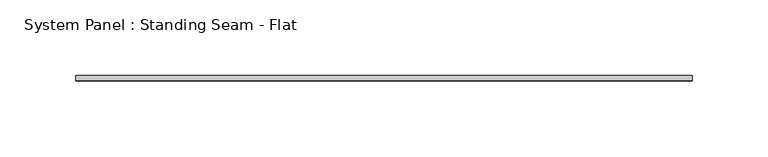
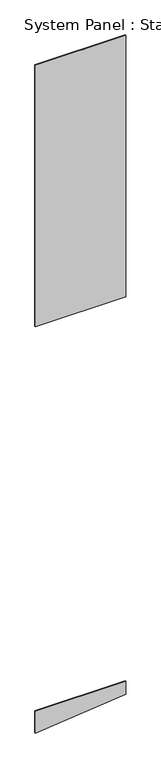
"""IFC4 building model written with IfcOpenShell, lengths in millimetres: plate geometry, System Panel : Standing Seam - Flat."""

from ifc_helpers import new_model, si_unit, frame, origin, place, context, project, spatial, polyline, outline, extrude, source, transform, mapped, element, save


def system_panel_standing_seam_flat_822d6450(model_context):
    return source(origin(), model_context, "Body", "SweptSolid", [
        extrude(outline(polyline([(0.0, -203.2), (41.2973855, 203.2), (103.6743857, 203.2), (103.6743857, -203.2), (0.0, -203.2)])), frame((0.0, -1.5875, 0.0), z_axis=(0.0, 1.0, 0.0), x_axis=(0.0, 0.0, 1.0)), (0.0, 0.0, 1.0), 3.175),
        extrude(outline(polyline([(203.2, -1.5875), (-203.2, -1.5875), (-203.2, 1.5875), (203.2, 1.5875), (203.2, -1.5875)])), frame((0.0, 0.0, 1932.4743857), z_axis=(0.0, 0.0, 1.0), x_axis=(1.0, 0.0, 0.0)), (0.0, 0.0, 1.0), 1244.6),
    ])


if __name__ == "__main__":
    model = new_model("IFC4")
    model_context = context("Model", 3, world=origin())
    ifc_project = project(units=[si_unit("LENGTHUNIT", "METRE", prefix="MILLI")], contexts=[model_context])
    site = spatial("IfcSite", under=ifc_project)
    building = spatial("IfcBuilding", under=site)
    placement = place(None, origin())
    system_panel_standing_seam_flat_shape = system_panel_standing_seam_flat_822d6450(model_context)
    element("IfcPlate", 1, ObjectType="System Panel : Standing Seam - Flat", at=placement, inside=building, context=model_context, shape_type="MappedRepresentation", body=[
        mapped(system_panel_standing_seam_flat_shape, transform((0.0, 0.0, 0.0), x_axis=(1.0, 0.0, 0.0), y_axis=(0.0, 1.0, 0.0), z_axis=(0.0, 0.0, 1.0))),
    ])
    save(model, "model.ifc")
